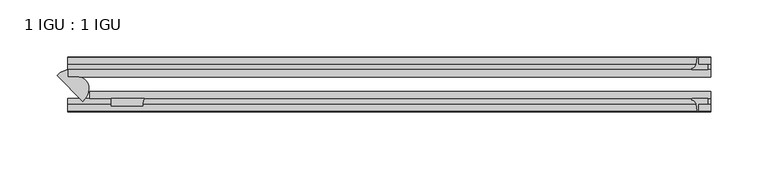
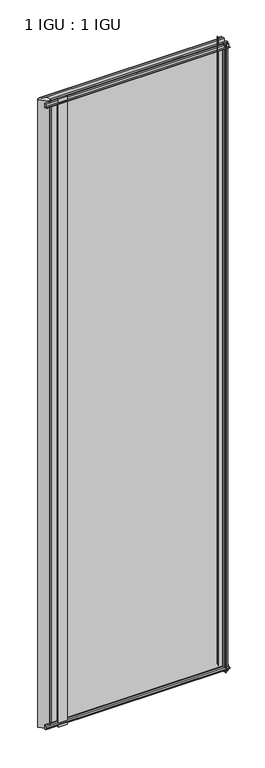
"""IFC4 building model written with IfcOpenShell, lengths in millimetres: plate geometry, 1 IGU : 1 IGU."""

from ifc_helpers import new_model, si_unit, point, frame, frame_2d, origin, place, context, project, spatial, polyline, circle_curve, ellipse_curve, trimmed, segment, composite_curve, outline, extrude, source, transform, mapped, element, save
from ifc_brep_helpers import plane_surface, cylinder_surface, extruded_surface, advanced_brep


def plate_1_igu_1_igu_c39219bd(model_context):
    return source(origin(), model_context, "Body", "SolidModel", [
        advanced_brep(
        [(-270.232059, -21.8797069, -11.1125), (-260.746875, -16.9303084, -11.1125), (-260.746875, -23.2080055, -11.1125), (-251.2925407, -23.2080055, -11.1125), (-247.5109953, -44.6868745, -11.1125), (-270.232059, -21.8797069, 2033.5875), (-247.5109953, -44.6868745, 2033.5875), (-251.2925407, -23.2080055, 2033.5875), (-260.746875, -23.2080055, 2033.5875), (-260.746875, -16.9303084, 2033.5875)],
        [
            (0, 1, circle_curve(frame((-257.6052247, -34.514619, -11.1125), z_axis=(0.0, 0.0, -1.0), x_axis=(1.0, 0.0, 0.0)), 17.862753)),
            (1, 2),
            (2, 3),
            (3, 4, ellipse_curve(frame((-255.6412331, -36.416321, -11.1125), z_axis=(0.0, 0.0, -1.0), x_axis=(-0.7071067811865471, -0.7071067811865479, 0.0)), 14.7521974, 11.597373)),
            (4, 0),
            (5, 6),
            (6, 7, ellipse_curve(frame((-255.6412331, -36.416321, 2033.5875), z_axis=(0.0, 0.0, 1.0), x_axis=(-0.7071067811865471, -0.7071067811865479, 0.0)), 14.7521974, 11.597373)),
            (7, 8),
            (8, 9),
            (9, 5, circle_curve(frame((-257.6052247, -34.514619, 2033.5875), z_axis=(0.0, 0.0, 1.0), x_axis=(1.0, 0.0, 0.0)), 17.862753)),
            (0, 5),
            (9, 1),
            (8, 2),
            (7, 3),
            (6, 4),
        ],
        [
            plane_surface(frame((-260.746875, -9.6242187, -11.1125), z_axis=(0.0, 0.0, -1.0), x_axis=(0.0, 1.0, 0.0))),
            plane_surface(frame((-260.746875, -9.6242187, 2033.5875), z_axis=(0.0, 0.0, 1.0), x_axis=(0.0, 1.0, 0.0))),
            cylinder_surface(frame((-257.6052247, -34.514619, -11.1125), z_axis=(0.0, 0.0, -1.0), x_axis=(1.0, 0.0, 0.0)), 17.862753),
            plane_surface(frame((-260.746875, -16.9303084, -11.1125), z_axis=(1.0, 0.0, 0.0), x_axis=(0.0, 0.0, 1.0))),
            plane_surface(frame((-260.746875, -23.2080055, -11.1125), z_axis=(0.0, 1.0, 0.0), x_axis=(0.0, 0.0, 1.0))),
            extruded_surface(trimmed(ellipse_curve(frame((-255.6412331, -36.416321, 2033.5875), z_axis=(0.0, 0.0, -1.0), x_axis=(-0.7071067811865471, -0.7071067811865479, 0.0)), 14.7521974, 11.597373), [point((-251.2925407, -23.2080055, 2033.5875))], [point((-247.5109953, -44.6868745, 2033.5875))], True, "CARTESIAN"), (0.0, 0.0, -2044.7), 2044.7),
            plane_surface(frame((-247.5109953, -44.6868745, -11.1125), z_axis=(-0.7084428097060248, -0.7057682235520618, 0.0), x_axis=(0.0, 0.0, 1.0))),
        ],
        [
            (0, [[1, 2, 3, 4, 5]]),
            (1, [[6, 7, 8, 9, 10]]),
            (2, [[-1, 11, -10, 12]]),
            (3, [[-2, -12, -9, 13]]),
            (4, [[-3, -13, -8, 14]]),
            (5, [[-4, -14, -7, 15]]),
            (6, [[-5, -15, -6, -11]]),
        ],
    ),
        extrude(outline(composite_curve([segment(polyline([(-42.3267187, -8.2068385), (-47.0892187, -8.2068385), (-47.0892187, 0.0), (-53.563779, 0.0)]), True, "CONTINUOUS"), segment(trimmed(circle_curve(frame_2d((-53.0328134, 0.3482823)), 0.635), [point((-53.563779, 0.0))], [point((-53.0575397, 0.9828007))], False, "CARTESIAN"), True, "CONTINUOUS"), segment(trimmed(circle_curve(frame_2d((-54.2310045, 31.0958559)), 30.1359106), [point((-53.0575397, 0.9828007))], [point((-47.0834032, 1.8198434))], True, "CARTESIAN"), True, "CONTINUOUS"), segment(trimmed(circle_curve(frame_2d((-48.2159797, 6.4587878)), 4.7752), [point((-47.0834032, 1.8198434))], [point((-43.578416, 5.3205707))], True, "CARTESIAN"), True, "CONTINUOUS"), segment(trimmed(circle_curve(frame_2d((-42.9617187, 5.169212)), 0.635), [point((-43.578416, 5.3205707))], [point((-42.3267187, 5.169212))], False, "CARTESIAN"), True, "CONTINUOUS"), segment(polyline([(-42.3267187, 5.169212), (-42.3267187, -8.2068385)]), True, "CONTINUOUS")], self_intersect=False)), frame((-260.746875, 0.0, 0.0), z_axis=(1.0, 0.0, 0.0), x_axis=(0.0, 1.0, 0.0)), (0.0, 0.0, 1.0), 563.959375),
        extrude(outline(composite_curve([segment(polyline([(-16.9267187, -8.2068385), (-16.9267187, 5.169212)]), True, "CONTINUOUS"), segment(trimmed(circle_curve(frame_2d((-16.2917187, 5.169212)), 0.635), [point((-16.9267187, 5.169212))], [point((-15.6750215, 5.3205707))], False, "CARTESIAN"), True, "CONTINUOUS"), segment(trimmed(circle_curve(frame_2d((-11.0374578, 6.4587878)), 4.7752), [point((-15.6750215, 5.3205707))], [point((-12.1700343, 1.8198434))], True, "CARTESIAN"), True, "CONTINUOUS"), segment(trimmed(circle_curve(frame_2d((-5.022433, 31.0958559)), 30.1359106), [point((-12.1700343, 1.8198434))], [point((-6.1958978, 0.9828007))], True, "CARTESIAN"), True, "CONTINUOUS"), segment(trimmed(circle_curve(frame_2d((-6.2206241, 0.3482823)), 0.635), [point((-6.1958978, 0.9828007))], [point((-5.6896585, 0.0))], False, "CARTESIAN"), True, "CONTINUOUS"), segment(polyline([(-5.6896585, 0.0), (-12.1642187, 0.0), (-12.1642187, -8.2068385), (-16.9267187, -8.2068385)]), True, "CONTINUOUS")], self_intersect=False)), frame((-260.746875, 0.0, 0.0), z_axis=(1.0, 0.0, 0.0), x_axis=(0.0, 1.0, 0.0)), (0.0, 0.0, 1.0), 563.959375),
        extrude(outline(composite_curve([segment(polyline([(-47.0892188, 2022.475), (-47.0892188, 2030.6818385), (-42.3267188, 2030.6818385), (-42.3267188, 2017.305788)]), True, "CONTINUOUS"), segment(trimmed(circle_curve(frame_2d((-42.9617187, 2017.305788)), 0.635), [point((-42.3267188, 2017.305788))], [point((-43.578416, 2017.1544293))], False, "CARTESIAN"), True, "CONTINUOUS"), segment(trimmed(circle_curve(frame_2d((-48.2159797, 2016.0162122)), 4.7752), [point((-43.578416, 2017.1544293))], [point((-47.0834032, 2020.6551566))], True, "CARTESIAN"), True, "CONTINUOUS"), segment(trimmed(circle_curve(frame_2d((-54.2310045, 1991.3791441)), 30.1359106), [point((-47.0834032, 2020.6551566))], [point((-53.0575397, 2021.4921993))], True, "CARTESIAN"), True, "CONTINUOUS"), segment(trimmed(circle_curve(frame_2d((-53.0328134, 2022.1267177)), 0.635), [point((-53.0575397, 2021.4921993))], [point((-53.563779, 2022.475))], False, "CARTESIAN"), True, "CONTINUOUS"), segment(polyline([(-53.563779, 2022.475), (-47.0892188, 2022.475)]), True, "CONTINUOUS")], self_intersect=False)), frame((-260.746875, 0.0, 0.0), z_axis=(1.0, 0.0, 0.0), x_axis=(0.0, 1.0, 0.0)), (0.0, 0.0, 1.0), 563.959375),
        extrude(outline(composite_curve([segment(polyline([(-12.1642187, 2022.475), (-5.6896585, 2022.475)]), True, "CONTINUOUS"), segment(trimmed(circle_curve(frame_2d((-6.2206241, 2022.1267177)), 0.635), [point((-5.6896585, 2022.475))], [point((-6.1958978, 2021.4921993))], False, "CARTESIAN"), True, "CONTINUOUS"), segment(trimmed(circle_curve(frame_2d((-5.022433, 1991.3791441)), 30.1359106), [point((-6.1958978, 2021.4921993))], [point((-12.1700343, 2020.6551566))], True, "CARTESIAN"), True, "CONTINUOUS"), segment(trimmed(circle_curve(frame_2d((-11.0374578, 2016.0162122)), 4.7752), [point((-12.1700343, 2020.6551566))], [point((-15.6750215, 2017.1544293))], True, "CARTESIAN"), True, "CONTINUOUS"), segment(trimmed(circle_curve(frame_2d((-16.2917188, 2017.305788)), 0.635), [point((-15.6750215, 2017.1544293))], [point((-16.9267188, 2017.305788))], False, "CARTESIAN"), True, "CONTINUOUS"), segment(polyline([(-16.9267188, 2017.305788), (-16.9267187, 2030.6818385), (-12.1642187, 2030.6818385), (-12.1642187, 2022.475)]), True, "CONTINUOUS")], self_intersect=False)), frame((-260.746875, 0.0, 0.0), z_axis=(1.0, 0.0, 0.0), x_axis=(0.0, 1.0, 0.0)), (0.0, 0.0, 1.0), 563.959375),
        extrude(outline(composite_curve([segment(trimmed(circle_curve(frame_2d((-183.5000987, -48.2428298)), 11.7661971), [point((-193.6707931, -42.3267187))], [point((-195.2582931, -48.6767187))], True, "CARTESIAN"), True, "CONTINUOUS"), segment(polyline([(-195.2582931, -48.6767187), (-222.646875, -48.6767187), (-222.646875, -42.3267187), (-193.6707931, -42.3267187)]), True, "CONTINUOUS")], self_intersect=False)), frame((0.0, 0.0, -11.1125), z_axis=(0.0, 0.0, 1.0), x_axis=(1.0, 0.0, 0.0)), (0.0, 0.0, 1.0), 2044.7),
        extrude(outline(composite_curve([segment(polyline([(292.1, -5.6896585), (292.1, -12.1642188), (300.3068385, -12.1642188), (300.3068385, -16.9267187), (286.930788, -16.9267187)]), True, "CONTINUOUS"), segment(trimmed(circle_curve(frame_2d((286.930788, -16.2917188)), 0.635), [point((286.930788, -16.9267187))], [point((286.7794293, -15.6750215))], False, "CARTESIAN"), True, "CONTINUOUS"), segment(trimmed(circle_curve(frame_2d((285.6412122, -11.0374578)), 4.7752), [point((286.7794293, -15.6750215))], [point((290.2801566, -12.1700343))], True, "CARTESIAN"), True, "CONTINUOUS"), segment(trimmed(circle_curve(frame_2d((261.0041441, -5.022433)), 30.1359106), [point((290.2801566, -12.1700343))], [point((291.1171993, -6.1958978))], True, "CARTESIAN"), True, "CONTINUOUS"), segment(trimmed(circle_curve(frame_2d((291.7517177, -6.2206241)), 0.635), [point((291.1171993, -6.1958978))], [point((292.1, -5.6896585))], False, "CARTESIAN"), True, "CONTINUOUS")], self_intersect=False)), frame((0.0, 0.0, -11.1125), z_axis=(0.0, 0.0, 1.0), x_axis=(1.0, 0.0, 0.0)), (0.0, 0.0, 1.0), 2044.7),
        extrude(outline(composite_curve([segment(trimmed(circle_curve(frame_2d((291.7517177, -53.0328134)), 0.635), [point((292.1, -53.563779))], [point((291.1171993, -53.0575397))], False, "CARTESIAN"), True, "CONTINUOUS"), segment(trimmed(circle_curve(frame_2d((261.0041441, -54.2310045)), 30.1359106), [point((291.1171993, -53.0575397))], [point((290.2801566, -47.0834032))], True, "CARTESIAN"), True, "CONTINUOUS"), segment(trimmed(circle_curve(frame_2d((285.6412122, -48.2159797)), 4.7752), [point((290.2801566, -47.0834032))], [point((286.7794293, -43.578416))], True, "CARTESIAN"), True, "CONTINUOUS"), segment(trimmed(circle_curve(frame_2d((286.930788, -42.9617187)), 0.635), [point((286.7794293, -43.578416))], [point((286.930788, -42.3267187))], False, "CARTESIAN"), True, "CONTINUOUS"), segment(polyline([(286.930788, -42.3267187), (300.3068385, -42.3267188), (300.3068385, -47.0892188), (292.1, -47.0892188), (292.1, -53.563779)]), True, "CONTINUOUS")], self_intersect=False)), frame((0.0, 0.0, -11.1125), z_axis=(0.0, 0.0, 1.0), x_axis=(1.0, 0.0, 0.0)), (0.0, 0.0, 1.0), 2044.7),
        extrude(outline(polyline([(303.2125, -16.9267187), (303.2125, -23.2259187), (-260.746875, -23.2259187), (-260.746875, -16.9267187), (303.2125, -16.9267187)])), frame((0.0, 0.0, -11.1125), z_axis=(0.0, 0.0, 1.0), x_axis=(1.0, 0.0, 0.0)), (0.0, 0.0, 1.0), 2044.7),
        extrude(outline(polyline([(303.2125, -36.0275187), (303.2125, -42.3267187), (-241.696875, -42.3267187), (-241.696875, -36.0275187), (303.2125, -36.0275187)])), frame((0.0, 0.0, -11.1125), z_axis=(0.0, 0.0, 1.0), x_axis=(1.0, 0.0, 0.0)), (0.0, 0.0, 1.0), 2044.7),
    ])


if __name__ == "__main__":
    model = new_model("IFC4")
    model_context = context("Model", 3, world=origin())
    ifc_project = project(units=[si_unit("LENGTHUNIT", "METRE", prefix="MILLI")], contexts=[model_context])
    site = spatial("IfcSite", under=ifc_project)
    building = spatial("IfcBuilding", under=site)
    placement = place(None, origin())
    plate_1_igu_1_igu_shape = plate_1_igu_1_igu_c39219bd(model_context)
    element("IfcPlate", 1, ObjectType="1 IGU : 1 IGU", at=placement, inside=building, context=model_context, shape_type="MappedRepresentation", body=[
        mapped(plate_1_igu_1_igu_shape, transform((0.0, 0.0, 0.0), x_axis=(1.0, 0.0, 0.0), y_axis=(0.0, 1.0, 0.0), z_axis=(0.0, 0.0, 1.0))),
    ])
    save(model, "model.ifc")
